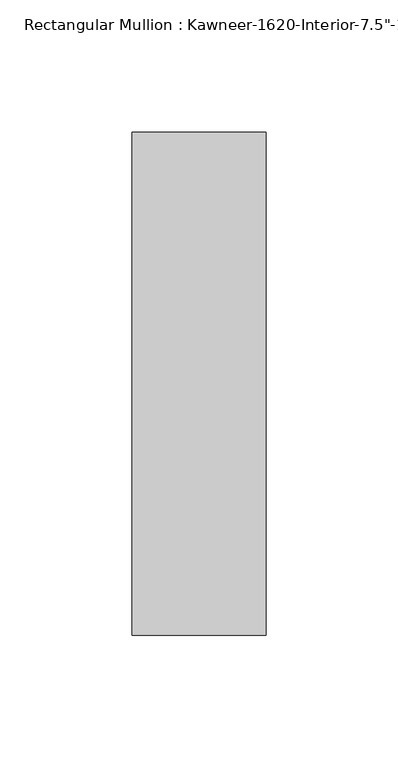
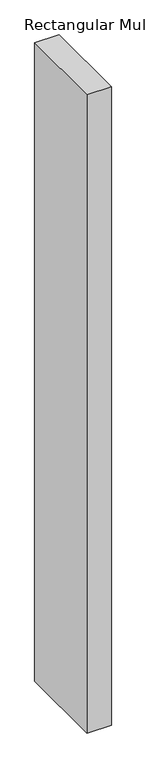
"""IFC4 building model written with IfcOpenShell, lengths in millimetres: member geometry."""

from ifc_helpers import new_model, si_unit, frame, origin, place, context, project, spatial, polyline, outline, extrude, source, transform, mapped, element, save


def member_047aebf3(model_context):
    return source(origin(), model_context, "Body", "SweptSolid", [
        extrude(outline(polyline([(25.4, -152.4), (-25.4, -152.4), (-25.4, 38.1), (25.4, 38.1), (25.4, -152.4)])), frame((0.0, 0.0, -1416.05), z_axis=(0.0, 0.0, 1.0), x_axis=(1.0, 0.0, 0.0)), (0.0, 0.0, 1.0), 1416.05),
    ])


if __name__ == "__main__":
    model = new_model("IFC4")
    model_context = context("Model", 3, world=origin())
    ifc_project = project(units=[si_unit("LENGTHUNIT", "METRE", prefix="MILLI")], contexts=[model_context])
    site = spatial("IfcSite", under=ifc_project)
    building = spatial("IfcBuilding", under=site)
    placement = place(None, origin())
    member_shape = member_047aebf3(model_context)
    element("IfcMember", 1, ObjectType="Rectangular Mullion : Kawneer-1620-Interior-7.5\"-1\"Infill", at=placement, inside=building, context=model_context, shape_type="MappedRepresentation", body=[
        mapped(member_shape, transform((0.0, 0.0, 0.0), x_axis=(1.0, 0.0, 0.0), y_axis=(0.0, 1.0, 0.0), z_axis=(0.0, 0.0, 1.0))),
    ])
    save(model, "model.ifc")
